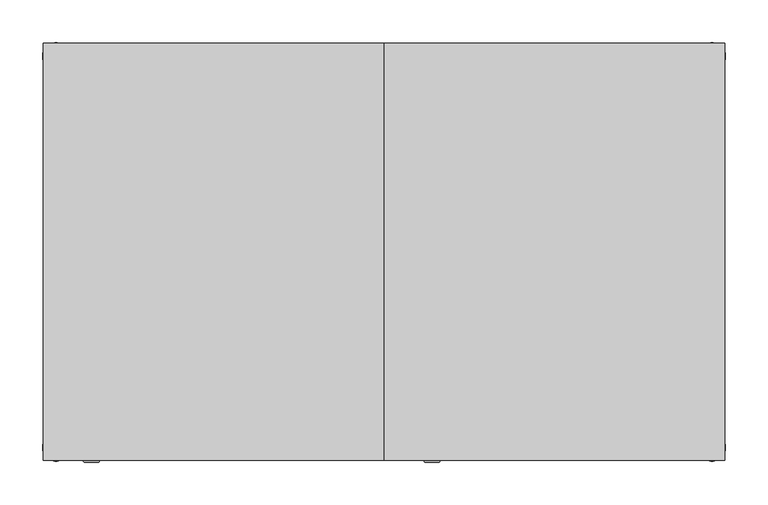
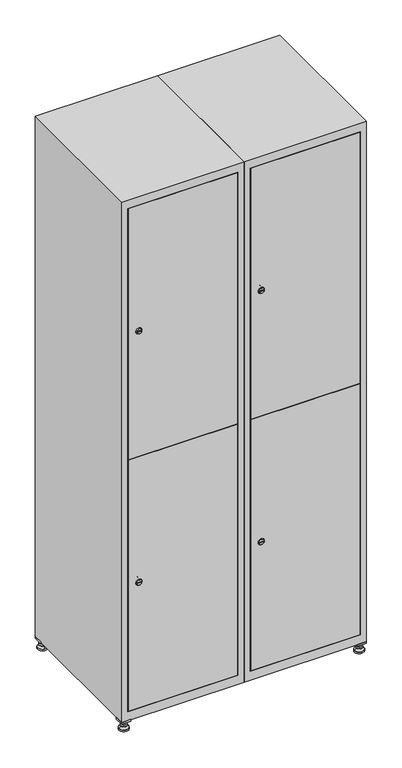
"""IFC4 building model written with IfcOpenShell, lengths in millimetres: furniture geometry."""

from ifc_helpers import new_model, si_unit, point, frame, frame_2d, origin, origin_with_axes, place, context, project, spatial, polyline, circle_curve, trimmed, segment, composite_curve, outline, extrude, faceted_brep, source, transform, mapped, element, save
from ifc_brep_helpers import plane_surface, revolved_surface, advanced_brep


def furniture_e68caaad(model_context):
    return source(origin(), model_context, "Body", "SolidModel", [
        extrude(outline(polyline([(600.0, 245.0), (600.0, 215.0), (570.0, 215.0), (570.0, 245.0), (600.0, 245.0)]), holes=[polyline([(598.0, 243.0), (572.0, 243.0), (572.0, 217.0), (598.0, 217.0), (598.0, 243.0)])]), frame((0.0, 0.0, 28.5), z_axis=(0.0, 0.0, 1.0), x_axis=(1.0, 0.0, 0.0)), (0.0, 0.0, 1.0), 6.5),
        extrude(outline(polyline([(570.0, -245.0), (570.0, -215.0), (600.0, -215.0), (600.0, -245.0), (570.0, -245.0)]), holes=[polyline([(572.0, -243.0), (598.0, -243.0), (598.0, -217.0), (572.0, -217.0), (572.0, -243.0)])]), frame((0.0, 0.0, 28.5), z_axis=(0.0, 0.0, 1.0), x_axis=(1.0, 0.0, 0.0)), (0.0, 0.0, 1.0), 6.5),
        extrude(outline(polyline([(-170.0, 245.0), (-170.0, 215.0), (-200.0, 215.0), (-200.0, 245.0), (-170.0, 245.0)]), holes=[polyline([(-172.0, 243.0), (-198.0, 243.0), (-198.0, 217.0), (-172.0, 217.0), (-172.0, 243.0)])]), frame((0.0, 0.0, 28.5), z_axis=(0.0, 0.0, 1.0), x_axis=(1.0, 0.0, 0.0)), (0.0, 0.0, 1.0), 6.5),
        extrude(outline(polyline([(-170.0, -215.0), (-170.0, -245.0), (-200.0, -245.0), (-200.0, -215.0), (-170.0, -215.0)]), holes=[polyline([(-198.0, -243.0), (-172.0, -243.0), (-172.0, -217.0), (-198.0, -217.0), (-198.0, -243.0)])]), frame((0.0, 0.0, 28.5), z_axis=(0.0, 0.0, 1.0), x_axis=(1.0, 0.0, 0.0)), (0.0, 0.0, 1.0), 6.5),
        extrude(outline(composite_curve([segment(trimmed(circle_curve(frame_2d((-185.0, 230.0)), 5.0), [point((-180.0, 230.0))], [point((-190.0, 230.0))], False, "CARTESIAN"), True, "CONTINUOUS"), segment(trimmed(circle_curve(frame_2d((-185.0, 230.0)), 5.0), [point((-190.0, 230.0))], [point((-180.0, 230.0))], False, "CARTESIAN"), True, "CONTINUOUS")], self_intersect=False)), frame((0.0, 0.0, 19.6), z_axis=(0.0, 0.0, 1.0), x_axis=(1.0, 0.0, 0.0)), (0.0, 0.0, 1.0), 15.4),
        extrude(outline(composite_curve([segment(trimmed(circle_curve(frame_2d((-185.0, -230.0)), 5.0), [point((-180.0, -230.0))], [point((-190.0, -230.0))], False, "CARTESIAN"), True, "CONTINUOUS"), segment(trimmed(circle_curve(frame_2d((-185.0, -230.0)), 5.0), [point((-190.0, -230.0))], [point((-180.0, -230.0))], False, "CARTESIAN"), True, "CONTINUOUS")], self_intersect=False)), frame((0.0, 0.0, 19.6), z_axis=(0.0, 0.0, 1.0), x_axis=(1.0, 0.0, 0.0)), (0.0, 0.0, 1.0), 15.4),
        extrude(outline(composite_curve([segment(trimmed(circle_curve(frame_2d((585.0, 230.0)), 5.0), [point((590.0, 230.0))], [point((580.0, 230.0))], False, "CARTESIAN"), True, "CONTINUOUS"), segment(trimmed(circle_curve(frame_2d((585.0, 230.0)), 5.0), [point((580.0, 230.0))], [point((590.0, 230.0))], False, "CARTESIAN"), True, "CONTINUOUS")], self_intersect=False)), frame((0.0, 0.0, 19.6), z_axis=(0.0, 0.0, 1.0), x_axis=(1.0, 0.0, 0.0)), (0.0, 0.0, 1.0), 15.4),
        extrude(outline(polyline([(573.4529946, 230.0), (579.2264973, 240.0), (590.7735027, 240.0), (596.5470054, 230.0), (590.7735027, 220.0), (579.2264973, 220.0), (573.4529946, 230.0)])), frame((0.0, 0.0, 13.6), z_axis=(0.0, 0.0, 1.0), x_axis=(1.0, 0.0, 0.0)), (0.0, 0.0, 1.0), 6.0),
        extrude(outline(composite_curve([segment(trimmed(circle_curve(frame_2d((585.0, -230.0)), 5.0), [point((590.0, -230.0))], [point((580.0, -230.0))], False, "CARTESIAN"), True, "CONTINUOUS"), segment(trimmed(circle_curve(frame_2d((585.0, -230.0)), 5.0), [point((580.0, -230.0))], [point((590.0, -230.0))], False, "CARTESIAN"), True, "CONTINUOUS")], self_intersect=False)), frame((0.0, 0.0, 19.6), z_axis=(0.0, 0.0, 1.0), x_axis=(1.0, 0.0, 0.0)), (0.0, 0.0, 1.0), 15.4),
        extrude(outline(polyline([(573.4529946, -230.0), (579.2264973, -220.0), (590.7735027, -220.0), (596.5470054, -230.0), (590.7735027, -240.0), (579.2264973, -240.0), (573.4529946, -230.0)])), frame((0.0, 0.0, 13.6), z_axis=(0.0, 0.0, 1.0), x_axis=(1.0, 0.0, 0.0)), (0.0, 0.0, 1.0), 6.0),
        extrude(outline(composite_curve([segment(trimmed(circle_curve(frame_2d((585.0, 230.0)), 5.0), [point((590.0, 230.0))], [point((580.0, 230.0))], False, "CARTESIAN"), True, "CONTINUOUS"), segment(trimmed(circle_curve(frame_2d((585.0, 230.0)), 5.0), [point((580.0, 230.0))], [point((590.0, 230.0))], False, "CARTESIAN"), True, "CONTINUOUS")], self_intersect=False)), frame((0.0, 0.0, 12.1), z_axis=(0.0, 0.0, 1.0), x_axis=(1.0, 0.0, 0.0)), (0.0, 0.0, 1.0), 1.5),
        extrude(outline(composite_curve([segment(trimmed(circle_curve(frame_2d((585.0, -230.0)), 5.0), [point((590.0, -230.0))], [point((580.0, -230.0))], False, "CARTESIAN"), True, "CONTINUOUS"), segment(trimmed(circle_curve(frame_2d((585.0, -230.0)), 5.0), [point((580.0, -230.0))], [point((590.0, -230.0))], False, "CARTESIAN"), True, "CONTINUOUS")], self_intersect=False)), frame((0.0, 0.0, 12.1), z_axis=(0.0, 0.0, 1.0), x_axis=(1.0, 0.0, 0.0)), (0.0, 0.0, 1.0), 1.5),
        extrude(outline(polyline([(-196.5470054, 230.0), (-190.7735027, 240.0), (-179.2264973, 240.0), (-173.4529946, 230.0), (-179.2264973, 220.0), (-190.7735027, 220.0), (-196.5470054, 230.0)])), frame((0.0, 0.0, 13.6), z_axis=(0.0, 0.0, 1.0), x_axis=(1.0, 0.0, 0.0)), (0.0, 0.0, 1.0), 6.0),
        extrude(outline(polyline([(-196.5470054, -230.0), (-190.7735027, -220.0), (-179.2264973, -220.0), (-173.4529946, -230.0), (-179.2264973, -240.0), (-190.7735027, -240.0), (-196.5470054, -230.0)])), frame((0.0, 0.0, 13.6), z_axis=(0.0, 0.0, 1.0), x_axis=(1.0, 0.0, 0.0)), (0.0, 0.0, 1.0), 6.0),
        extrude(outline(composite_curve([segment(trimmed(circle_curve(frame_2d((-185.0, 230.0)), 5.0), [point((-185.0, 235.0))], [point((-185.0, 225.0))], False, "CARTESIAN"), True, "CONTINUOUS"), segment(trimmed(circle_curve(frame_2d((-185.0, 230.0)), 5.0), [point((-185.0, 225.0))], [point((-185.0, 235.0))], False, "CARTESIAN"), True, "CONTINUOUS")], self_intersect=False)), frame((0.0, 0.0, 12.1), z_axis=(0.0, 0.0, 1.0), x_axis=(1.0, 0.0, 0.0)), (0.0, 0.0, 1.0), 1.5),
        extrude(outline(composite_curve([segment(trimmed(circle_curve(frame_2d((-185.0, -230.0)), 5.0), [point((-180.0, -230.0))], [point((-190.0, -230.0))], False, "CARTESIAN"), True, "CONTINUOUS"), segment(trimmed(circle_curve(frame_2d((-185.0, -230.0)), 5.0), [point((-190.0, -230.0))], [point((-180.0, -230.0))], False, "CARTESIAN"), True, "CONTINUOUS")], self_intersect=False)), frame((0.0, 0.0, 12.1), z_axis=(0.0, 0.0, 1.0), x_axis=(1.0, 0.0, 0.0)), (0.0, 0.0, 1.0), 1.5),
        extrude(outline(composite_curve([segment(trimmed(circle_curve(frame_2d((585.0, 230.0)), 15.75), [point((600.75, 230.0))], [point((569.25, 230.0))], False, "CARTESIAN"), True, "CONTINUOUS"), segment(trimmed(circle_curve(frame_2d((585.0, 230.0)), 15.75), [point((569.25, 230.0))], [point((600.75, 230.0))], False, "CARTESIAN"), True, "CONTINUOUS")], self_intersect=False)), origin_with_axes(), (0.0, 0.0, 1.0), 5.1),
        extrude(outline(composite_curve([segment(trimmed(circle_curve(frame_2d((585.0, -230.0)), 15.75), [point((585.0, -214.25))], [point((585.0, -245.75))], False, "CARTESIAN"), True, "CONTINUOUS"), segment(trimmed(circle_curve(frame_2d((585.0, -230.0)), 15.75), [point((585.0, -245.75))], [point((585.0, -214.25))], False, "CARTESIAN"), True, "CONTINUOUS")], self_intersect=False)), origin_with_axes(), (0.0, 0.0, 1.0), 5.1),
        extrude(outline(composite_curve([segment(trimmed(circle_curve(frame_2d((-185.0, -230.0)), 15.75), [point((-169.25, -230.0))], [point((-200.75, -230.0))], False, "CARTESIAN"), True, "CONTINUOUS"), segment(trimmed(circle_curve(frame_2d((-185.0, -230.0)), 15.75), [point((-200.75, -230.0))], [point((-169.25, -230.0))], False, "CARTESIAN"), True, "CONTINUOUS")], self_intersect=False)), origin_with_axes(), (0.0, 0.0, 1.0), 5.1),
        extrude(outline(composite_curve([segment(trimmed(circle_curve(frame_2d((-185.0, 230.0)), 15.75), [point((-169.25, 230.0))], [point((-200.75, 230.0))], False, "CARTESIAN"), True, "CONTINUOUS"), segment(trimmed(circle_curve(frame_2d((-185.0, 230.0)), 15.75), [point((-200.75, 230.0))], [point((-169.25, 230.0))], False, "CARTESIAN"), True, "CONTINUOUS")], self_intersect=False)), origin_with_axes(), (0.0, 0.0, 1.0), 5.1),
        advanced_brep(
        [(-185.0, 245.75, 5.1), (-185.0, 214.25, 5.1), (-185.0, 239.5, 12.1), (-185.0, 220.5, 12.1)],
        [
            (0, 1, circle_curve(frame((-185.0, 230.0, 5.1), z_axis=(0.0, 0.0, -1.0), x_axis=(0.0, 1.0, 0.0)), 15.75)),
            (1, 0, circle_curve(frame((-185.0, 230.0, 5.1), z_axis=(0.0, 0.0, -1.0), x_axis=(0.0, -1.0, 0.0)), 15.75)),
            (2, 3, circle_curve(frame((-185.0, 230.0, 12.1), z_axis=(0.0, 0.0, 1.0), x_axis=(0.0, -1.0, 0.0)), 9.5)),
            (3, 2, circle_curve(frame((-185.0, 230.0, 12.1), z_axis=(0.0, 0.0, 1.0), x_axis=(0.0, 1.0, 0.0)), 9.5)),
            (3, 1),
            (0, 2),
        ],
        [
            plane_surface(frame((-185.0, 230.0, 5.1), z_axis=(0.0, 0.0, -1.0), x_axis=(1.0, 0.0, 0.0))),
            plane_surface(frame((-185.0, 230.0, 12.1), z_axis=(0.0, 0.0, 1.0), x_axis=(1.0, 0.0, 0.0))),
            revolved_surface(polyline([(-185.0, 220.5, 12.099999999999998), (-185.0, 214.25, 5.099999999999998)]), (-185.0, 230.0, 22.74), (0.0, 0.0, -1.0)),
            revolved_surface(polyline([(-185.0, 239.5, 12.099999999999998), (-185.0, 245.75, 5.099999999999998)]), (-185.0, 230.0, 22.74), (0.0, 0.0, -1.0)),
        ],
        [
            (0, [[1, 2]]),
            (1, [[3, 4]]),
            (2, [[-4, 5, -1, 6]]),
            (3, [[-3, -6, -2, -5]]),
        ],
    ),
        advanced_brep(
        [(585.0, 245.75, 5.1), (585.0, 214.25, 5.1), (585.0, 239.5, 12.1), (585.0, 220.5, 12.1)],
        [
            (0, 1, circle_curve(frame((585.0, 230.0, 5.1), z_axis=(0.0, 0.0, -1.0), x_axis=(0.0, 1.0, 0.0)), 15.75)),
            (1, 0, circle_curve(frame((585.0, 230.0, 5.1), z_axis=(0.0, 0.0, -1.0), x_axis=(0.0, -1.0, 0.0)), 15.75)),
            (2, 3, circle_curve(frame((585.0, 230.0, 12.1), z_axis=(0.0, 0.0, 1.0), x_axis=(0.0, -1.0, 0.0)), 9.5)),
            (3, 2, circle_curve(frame((585.0, 230.0, 12.1), z_axis=(0.0, 0.0, 1.0), x_axis=(0.0, 1.0, 0.0)), 9.5)),
            (3, 1),
            (0, 2),
        ],
        [
            plane_surface(frame((585.0, 230.0, 5.1), z_axis=(0.0, 0.0, -1.0), x_axis=(1.0, 0.0, 0.0))),
            plane_surface(frame((585.0, 230.0, 12.1), z_axis=(0.0, 0.0, 1.0), x_axis=(1.0, 0.0, 0.0))),
            revolved_surface(polyline([(585.0, 220.5, 12.099999999999998), (585.0, 214.25, 5.099999999999998)]), (585.0, 230.0, 22.74), (0.0, 0.0, -1.0)),
            revolved_surface(polyline([(585.0, 239.5, 12.099999999999998), (585.0, 245.75, 5.099999999999998)]), (585.0, 230.0, 22.74), (0.0, 0.0, -1.0)),
        ],
        [
            (0, [[1, 2]]),
            (1, [[3, 4]]),
            (2, [[-4, 5, -1, 6]]),
            (3, [[-3, -6, -2, -5]]),
        ],
    ),
        advanced_brep(
        [(594.5, -230.0, 12.1), (575.5, -230.0, 12.1), (600.75, -230.0, 5.1), (569.25, -230.0, 5.1)],
        [
            (0, 1, circle_curve(frame((585.0, -230.0, 12.1), z_axis=(0.0, 0.0, 1.0), x_axis=(1.0, 0.0, 0.0)), 9.5)),
            (1, 0, circle_curve(frame((585.0, -230.0, 12.1), z_axis=(0.0, 0.0, 1.0), x_axis=(-1.0, 0.0, 0.0)), 9.5)),
            (2, 3, circle_curve(frame((585.0, -230.0, 5.1), z_axis=(0.0, 0.0, -1.0), x_axis=(-1.0, 0.0, 0.0)), 15.75)),
            (3, 2, circle_curve(frame((585.0, -230.0, 5.1), z_axis=(0.0, 0.0, -1.0), x_axis=(1.0, 0.0, 0.0)), 15.75)),
            (3, 1),
            (0, 2),
        ],
        [
            plane_surface(frame((585.0, -230.0, 12.1), z_axis=(0.0, 0.0, 1.0), x_axis=(0.0, 1.0, 0.0))),
            plane_surface(frame((585.0, -230.0, 5.1), z_axis=(0.0, 0.0, -1.0), x_axis=(0.0, 1.0, 0.0))),
            revolved_surface(polyline([(594.5, -230.0, 12.099999999999998), (600.75, -230.0, 5.099999999999998)]), (585.0, -230.0, 22.74), (0.0, 0.0, -1.0)),
            revolved_surface(polyline([(575.5, -230.0, 12.099999999999998), (569.25, -230.0, 5.099999999999998)]), (585.0, -230.0, 22.74), (0.0, 0.0, -1.0)),
        ],
        [
            (0, [[1, 2]]),
            (1, [[3, 4]]),
            (2, [[-4, 5, -1, 6]]),
            (3, [[-3, -6, -2, -5]]),
        ],
    ),
        advanced_brep(
        [(-175.5, -230.0, 12.1), (-194.5, -230.0, 12.1), (-169.25, -230.0, 5.1), (-200.75, -230.0, 5.1)],
        [
            (0, 1, circle_curve(frame((-185.0, -230.0, 12.1), z_axis=(0.0, 0.0, 1.0), x_axis=(1.0, 0.0, 0.0)), 9.5)),
            (1, 0, circle_curve(frame((-185.0, -230.0, 12.1), z_axis=(0.0, 0.0, 1.0), x_axis=(-1.0, 0.0, 0.0)), 9.5)),
            (2, 3, circle_curve(frame((-185.0, -230.0, 5.1), z_axis=(0.0, 0.0, -1.0), x_axis=(-1.0, 0.0, 0.0)), 15.75)),
            (3, 2, circle_curve(frame((-185.0, -230.0, 5.1), z_axis=(0.0, 0.0, -1.0), x_axis=(1.0, 0.0, 0.0)), 15.75)),
            (3, 1),
            (0, 2),
        ],
        [
            plane_surface(frame((-185.0, -230.0, 12.1), z_axis=(0.0, 0.0, 1.0), x_axis=(0.0, 1.0, 0.0))),
            plane_surface(frame((-185.0, -230.0, 5.1), z_axis=(0.0, 0.0, -1.0), x_axis=(0.0, 1.0, 0.0))),
            revolved_surface(polyline([(-175.5, -230.0, 12.099999999999998), (-169.25, -230.0, 5.099999999999998)]), (-185.0, -230.0, 22.74), (0.0, 0.0, -1.0)),
            revolved_surface(polyline([(-194.5, -230.0, 12.099999999999998), (-200.75, -230.0, 5.099999999999998)]), (-185.0, -230.0, 22.74), (0.0, 0.0, -1.0)),
        ],
        [
            (0, [[1, 2]]),
            (1, [[3, 4]]),
            (2, [[-4, 5, -1, 6]]),
            (3, [[-3, -6, -2, -5]]),
        ],
    ),
        extrude(outline(composite_curve([segment(trimmed(circle_curve(frame_2d((500.6, 229.6010534)), 7.0), [point((507.6, 229.6010534))], [point((493.6, 229.6010534))], False, "CARTESIAN"), True, "CONTINUOUS"), segment(polyline([(493.6, 229.6010534), (493.6, 257.6010534)]), True, "CONTINUOUS"), segment(trimmed(circle_curve(frame_2d((500.6, 257.6010534)), 7.0), [point((493.6, 257.6010534))], [point((507.6, 257.6010534))], False, "CARTESIAN"), True, "CONTINUOUS"), segment(polyline([(507.6, 257.6010534), (507.6, 229.6010534)]), True, "CONTINUOUS")], self_intersect=False)), frame((0.0, -227.0, 0.0), z_axis=(0.0, 1.0, 0.0), x_axis=(0.0, 0.0, 1.0)), (0.0, 0.0, 1.0), 2.0),
        advanced_brep(
        [(264.9, -247.2, 500.6), (247.9, -247.2, 500.6), (251.4, -247.2, 499.35), (251.4, -247.2, 501.85), (261.4, -247.2, 501.85), (261.4, -247.2, 499.35), (266.9, -245.0, 500.6), (245.9, -245.0, 500.6), (251.4, -245.0, 501.85), (251.4, -245.0, 499.35), (261.4, -245.0, 499.35), (261.4, -245.0, 501.85)],
        [
            (0, 1, circle_curve(frame((256.4, -247.2, 500.6), z_axis=(0.0, -1.0, 0.0), x_axis=(1.0, 0.0, 0.0)), 8.5)),
            (1, 0, circle_curve(frame((256.4, -247.2, 500.6), z_axis=(0.0, -1.0, 0.0), x_axis=(-1.0, 0.0, 0.0)), 8.5)),
            (2, 3),
            (3, 4),
            (4, 5),
            (5, 2),
            (6, 7, circle_curve(frame((256.4, -245.0, 500.6), z_axis=(0.0, 1.0, 0.0), x_axis=(-1.0, 0.0, 0.0)), 10.5)),
            (7, 6, circle_curve(frame((256.4, -245.0, 500.6), z_axis=(0.0, 1.0, 0.0), x_axis=(1.0, 0.0, 0.0)), 10.5)),
            (8, 9),
            (9, 10),
            (10, 11),
            (11, 8),
            (0, 6),
            (7, 1),
            (8, 3),
            (2, 9),
            (11, 4),
            (10, 5),
        ],
        [
            plane_surface(frame((256.4, -247.2, 500.6), z_axis=(0.0, -1.0, 0.0), x_axis=(0.0, 0.0, 1.0))),
            plane_surface(frame((256.4, -245.0, 500.6), z_axis=(0.0, 1.0, 0.0), x_axis=(0.0, 0.0, 1.0))),
            revolved_surface(polyline([(264.9, -247.2, 500.6), (266.9, -245.0, 500.6)]), (256.4, -256.55, 500.6), (0.0, 1.0, 0.0)),
            revolved_surface(polyline([(247.89999999999998, -247.2, 500.6), (245.9, -245.0, 500.6)]), (256.4, -256.55, 500.6), (0.0, 1.0, 0.0)),
            plane_surface(frame((251.4, -245.0, 499.35), z_axis=(1.0, 0.0, 0.0), x_axis=(0.0, -1.0, 0.0))),
            plane_surface(frame((251.4, -245.0, 501.85), z_axis=(0.0, 0.0, -1.0), x_axis=(0.0, -1.0, 0.0))),
            plane_surface(frame((261.4, -245.0, 501.85), z_axis=(-1.0, 0.0, 0.0), x_axis=(0.0, -1.0, 0.0))),
            plane_surface(frame((261.4, -245.0, 499.35), z_axis=(0.0, 0.0, 1.0), x_axis=(0.0, -1.0, 0.0))),
        ],
        [
            (0, [[1, 2], [3, 4, 5, 6]]),
            (1, [[7, 8], [9, 10, 11, 12]]),
            (2, [[-1, 13, -8, 14]]),
            (3, [[-2, -14, -7, -13]]),
            (4, [[15, -3, 16, -9]]),
            (5, [[-15, -12, 17, -4]]),
            (6, [[-17, -11, 18, -5]]),
            (7, [[-16, -6, -18, -10]]),
        ],
    ),
        extrude(outline(composite_curve([segment(trimmed(circle_curve(frame_2d((1369.4, 229.6010534)), 7.0), [point((1376.4, 229.6010534))], [point((1362.4, 229.6010534))], False, "CARTESIAN"), True, "CONTINUOUS"), segment(polyline([(1362.4, 229.6010534), (1362.4, 257.6010534)]), True, "CONTINUOUS"), segment(trimmed(circle_curve(frame_2d((1369.4, 257.6010534)), 7.0), [point((1362.4, 257.6010534))], [point((1376.4, 257.6010534))], False, "CARTESIAN"), True, "CONTINUOUS"), segment(polyline([(1376.4, 257.6010534), (1376.4, 229.6010534)]), True, "CONTINUOUS")], self_intersect=False)), frame((0.0, -227.0, 0.0), z_axis=(0.0, 1.0, 0.0), x_axis=(0.0, 0.0, 1.0)), (0.0, 0.0, 1.0), 2.0),
        advanced_brep(
        [(264.9, -247.2, 1369.4), (247.9, -247.2, 1369.4), (251.4, -247.2, 1368.15), (251.4, -247.2, 1370.65), (261.4, -247.2, 1370.65), (261.4, -247.2, 1368.15), (266.9, -245.0, 1369.4), (245.9, -245.0, 1369.4), (251.4, -245.0, 1370.65), (251.4, -245.0, 1368.15), (261.4, -245.0, 1368.15), (261.4, -245.0, 1370.65)],
        [
            (0, 1, circle_curve(frame((256.4, -247.2, 1369.4), z_axis=(0.0, -1.0, 0.0), x_axis=(1.0, 0.0, 0.0)), 8.5)),
            (1, 0, circle_curve(frame((256.4, -247.2, 1369.4), z_axis=(0.0, -1.0, 0.0), x_axis=(-1.0, 0.0, 0.0)), 8.5)),
            (2, 3),
            (3, 4),
            (4, 5),
            (5, 2),
            (6, 7, circle_curve(frame((256.4, -245.0, 1369.4), z_axis=(0.0, 1.0, 0.0), x_axis=(-1.0, 0.0, 0.0)), 10.5)),
            (7, 6, circle_curve(frame((256.4, -245.0, 1369.4), z_axis=(0.0, 1.0, 0.0), x_axis=(1.0, 0.0, 0.0)), 10.5)),
            (8, 9),
            (9, 10),
            (10, 11),
            (11, 8),
            (0, 6),
            (7, 1),
            (8, 3),
            (2, 9),
            (11, 4),
            (10, 5),
        ],
        [
            plane_surface(frame((256.4, -247.2, 1369.4), z_axis=(0.0, -1.0, 0.0), x_axis=(0.0, 0.0, 1.0))),
            plane_surface(frame((256.4, -245.0, 1369.4), z_axis=(0.0, 1.0, 0.0), x_axis=(0.0, 0.0, 1.0))),
            revolved_surface(polyline([(264.9, -247.2, 1369.4), (266.9, -245.0, 1369.4)]), (256.4, -256.55, 1369.4), (0.0, 1.0, 0.0)),
            revolved_surface(polyline([(247.89999999999998, -247.2, 1369.4), (245.9, -245.0, 1369.4)]), (256.4, -256.55, 1369.4), (0.0, 1.0, 0.0)),
            plane_surface(frame((251.4, -245.0, 1368.15), z_axis=(1.0, 0.0, 0.0), x_axis=(0.0, -1.0, 0.0))),
            plane_surface(frame((251.4, -245.0, 1370.65), z_axis=(0.0, 0.0, -1.0), x_axis=(0.0, -1.0, 0.0))),
            plane_surface(frame((261.4, -245.0, 1370.65), z_axis=(-1.0, 0.0, 0.0), x_axis=(0.0, -1.0, 0.0))),
            plane_surface(frame((261.4, -245.0, 1368.15), z_axis=(0.0, 0.0, 1.0), x_axis=(0.0, -1.0, 0.0))),
        ],
        [
            (0, [[1, 2], [3, 4, 5, 6]]),
            (1, [[7, 8], [9, 10, 11, 12]]),
            (2, [[-1, 13, -8, 14]]),
            (3, [[-2, -14, -7, -13]]),
            (4, [[15, -3, 16, -9]]),
            (5, [[-15, -12, 17, -4]]),
            (6, [[-17, -11, 18, -5]]),
            (7, [[-16, -6, -18, -10]]),
        ],
    ),
        extrude(outline(polyline([(221.4, -245.0), (221.4, -227.0), (578.6, -227.0), (578.6, -245.0), (221.4, -245.0)])), frame((0.0, 0.0, 66.2), z_axis=(0.0, 0.0, 1.0), x_axis=(1.0, 0.0, 0.0)), (0.0, 0.0, 1.0), 868.3),
        extrude(outline(polyline([(578.6, -227.0), (578.6, -245.0), (221.4, -245.0), (221.4, -227.0), (578.6, -227.0)])), frame((0.0, 0.0, 935.5), z_axis=(0.0, 0.0, 1.0), x_axis=(1.0, 0.0, 0.0)), (0.0, 0.0, 1.0), 868.3),
        extrude(outline(polyline([(579.6, 242.0), (579.6, -227.0), (220.4, -227.0), (220.4, 242.0), (579.6, 242.0)])), frame((0.0, 0.0, 924.8), z_axis=(0.0, 0.0, 1.0), x_axis=(1.0, 0.0, 0.0)), (0.0, 0.0, 1.0), 20.4),
        faceted_brep([(600.0, -245.0, 35.0), (600.0, -245.0, 1835.0), (200.0, -245.0, 1835.0), (200.0, -245.0, 35.0), (579.6, -245.0, 1804.8), (579.6, -245.0, 65.2), (220.4, -245.0, 65.2), (220.4, -245.0, 1804.8), (600.0, 245.0, 35.0), (200.0, 245.0, 35.0), (600.0, 245.0, 1835.0), (200.0, 245.0, 1835.0), (579.6, 242.0, 1804.8), (579.6, 242.0, 65.2), (200.0, 245.0, 1804.8), (220.4, 242.0, 1804.8), (220.4, 242.0, 65.2)], [[[0, 1, 2, 3], [4, 5, 6, 7]], [[8, 0, 3, 9]], [[1, 0, 8, 10]], [[1, 10, 11, 2]], [[4, 12, 13, 5]], [[9, 3, 2, 11, 14]], [[10, 8, 9, 14, 11]], [[12, 15, 16, 13]], [[15, 7, 6, 16]], [[4, 7, 15, 12]], [[6, 5, 13, 16]]]),
        extrude(outline(composite_curve([segment(trimmed(circle_curve(frame_2d((500.6, -170.3989466)), 7.0), [point((507.6, -170.3989466))], [point((493.6, -170.3989466))], False, "CARTESIAN"), True, "CONTINUOUS"), segment(polyline([(493.6, -170.3989466), (493.6, -142.3989466)]), True, "CONTINUOUS"), segment(trimmed(circle_curve(frame_2d((500.6, -142.3989466)), 7.0), [point((493.6, -142.3989466))], [point((507.6, -142.3989466))], False, "CARTESIAN"), True, "CONTINUOUS"), segment(polyline([(507.6, -142.3989466), (507.6, -170.3989466)]), True, "CONTINUOUS")], self_intersect=False)), frame((0.0, -227.0, 0.0), z_axis=(0.0, 1.0, 0.0), x_axis=(0.0, 0.0, 1.0)), (0.0, 0.0, 1.0), 2.0),
        advanced_brep(
        [(-135.1, -247.2, 500.6), (-152.1, -247.2, 500.6), (-148.6, -247.2, 499.35), (-148.6, -247.2, 501.85), (-138.6, -247.2, 501.85), (-138.6, -247.2, 499.35), (-133.1, -245.0, 500.6), (-154.1, -245.0, 500.6), (-148.6, -245.0, 501.85), (-148.6, -245.0, 499.35), (-138.6, -245.0, 499.35), (-138.6, -245.0, 501.85)],
        [
            (0, 1, circle_curve(frame((-143.6, -247.2, 500.6), z_axis=(0.0, -1.0, 0.0), x_axis=(1.0, 0.0, 0.0)), 8.5)),
            (1, 0, circle_curve(frame((-143.6, -247.2, 500.6), z_axis=(0.0, -1.0, 0.0), x_axis=(-1.0, 0.0, 0.0)), 8.5)),
            (2, 3),
            (3, 4),
            (4, 5),
            (5, 2),
            (6, 7, circle_curve(frame((-143.6, -245.0, 500.6), z_axis=(0.0, 1.0, 0.0), x_axis=(-1.0, 0.0, 0.0)), 10.5)),
            (7, 6, circle_curve(frame((-143.6, -245.0, 500.6), z_axis=(0.0, 1.0, 0.0), x_axis=(1.0, 0.0, 0.0)), 10.5)),
            (8, 9),
            (9, 10),
            (10, 11),
            (11, 8),
            (0, 6),
            (7, 1),
            (8, 3),
            (2, 9),
            (11, 4),
            (10, 5),
        ],
        [
            plane_surface(frame((-143.6, -247.2, 500.6), z_axis=(0.0, -1.0, 0.0), x_axis=(0.0, 0.0, 1.0))),
            plane_surface(frame((-143.6, -245.0, 500.6), z_axis=(0.0, 1.0, 0.0), x_axis=(0.0, 0.0, 1.0))),
            revolved_surface(polyline([(-135.1, -247.2, 500.6), (-133.1, -245.0, 500.6)]), (-143.6, -256.55, 500.6), (0.0, 1.0, 0.0)),
            revolved_surface(polyline([(-152.1, -247.2, 500.6), (-154.1, -245.0, 500.6)]), (-143.6, -256.55, 500.6), (0.0, 1.0, 0.0)),
            plane_surface(frame((-148.6, -245.0, 499.35), z_axis=(1.0, 0.0, 0.0), x_axis=(0.0, -1.0, 0.0))),
            plane_surface(frame((-148.6, -245.0, 501.85), z_axis=(0.0, 0.0, -1.0), x_axis=(0.0, -1.0, 0.0))),
            plane_surface(frame((-138.6, -245.0, 501.85), z_axis=(-1.0, 0.0, 0.0), x_axis=(0.0, -1.0, 0.0))),
            plane_surface(frame((-138.6, -245.0, 499.35), z_axis=(0.0, 0.0, 1.0), x_axis=(0.0, -1.0, 0.0))),
        ],
        [
            (0, [[1, 2], [3, 4, 5, 6]]),
            (1, [[7, 8], [9, 10, 11, 12]]),
            (2, [[-1, 13, -8, 14]]),
            (3, [[-2, -14, -7, -13]]),
            (4, [[15, -3, 16, -9]]),
            (5, [[-15, -12, 17, -4]]),
            (6, [[-17, -11, 18, -5]]),
            (7, [[-16, -6, -18, -10]]),
        ],
    ),
        extrude(outline(composite_curve([segment(trimmed(circle_curve(frame_2d((1369.4, -170.3989466)), 7.0), [point((1376.4, -170.3989466))], [point((1362.4, -170.3989466))], False, "CARTESIAN"), True, "CONTINUOUS"), segment(polyline([(1362.4, -170.3989466), (1362.4, -142.3989466)]), True, "CONTINUOUS"), segment(trimmed(circle_curve(frame_2d((1369.4, -142.3989466)), 7.0), [point((1362.4, -142.3989466))], [point((1376.4, -142.3989466))], False, "CARTESIAN"), True, "CONTINUOUS"), segment(polyline([(1376.4, -142.3989466), (1376.4, -170.3989466)]), True, "CONTINUOUS")], self_intersect=False)), frame((0.0, -227.0, 0.0), z_axis=(0.0, 1.0, 0.0), x_axis=(0.0, 0.0, 1.0)), (0.0, 0.0, 1.0), 2.0),
        advanced_brep(
        [(-135.1, -247.2, 1369.4), (-152.1, -247.2, 1369.4), (-148.6, -247.2, 1368.15), (-148.6, -247.2, 1370.65), (-138.6, -247.2, 1370.65), (-138.6, -247.2, 1368.15), (-133.1, -245.0, 1369.4), (-154.1, -245.0, 1369.4), (-148.6, -245.0, 1370.65), (-148.6, -245.0, 1368.15), (-138.6, -245.0, 1368.15), (-138.6, -245.0, 1370.65)],
        [
            (0, 1, circle_curve(frame((-143.6, -247.2, 1369.4), z_axis=(0.0, -1.0, 0.0), x_axis=(1.0, 0.0, 0.0)), 8.5)),
            (1, 0, circle_curve(frame((-143.6, -247.2, 1369.4), z_axis=(0.0, -1.0, 0.0), x_axis=(-1.0, 0.0, 0.0)), 8.5)),
            (2, 3),
            (3, 4),
            (4, 5),
            (5, 2),
            (6, 7, circle_curve(frame((-143.6, -245.0, 1369.4), z_axis=(0.0, 1.0, 0.0), x_axis=(-1.0, 0.0, 0.0)), 10.5)),
            (7, 6, circle_curve(frame((-143.6, -245.0, 1369.4), z_axis=(0.0, 1.0, 0.0), x_axis=(1.0, 0.0, 0.0)), 10.5)),
            (8, 9),
            (9, 10),
            (10, 11),
            (11, 8),
            (0, 6),
            (7, 1),
            (8, 3),
            (2, 9),
            (11, 4),
            (10, 5),
        ],
        [
            plane_surface(frame((-143.6, -247.2, 1369.4), z_axis=(0.0, -1.0, 0.0), x_axis=(0.0, 0.0, 1.0))),
            plane_surface(frame((-143.6, -245.0, 1369.4), z_axis=(0.0, 1.0, 0.0), x_axis=(0.0, 0.0, 1.0))),
            revolved_surface(polyline([(-135.1, -247.2, 1369.4), (-133.1, -245.0, 1369.4)]), (-143.6, -256.55, 1369.4), (0.0, 1.0, 0.0)),
            revolved_surface(polyline([(-152.1, -247.2, 1369.4), (-154.1, -245.0, 1369.4)]), (-143.6, -256.55, 1369.4), (0.0, 1.0, 0.0)),
            plane_surface(frame((-148.6, -245.0, 1368.15), z_axis=(1.0, 0.0, 0.0), x_axis=(0.0, -1.0, 0.0))),
            plane_surface(frame((-148.6, -245.0, 1370.65), z_axis=(0.0, 0.0, -1.0), x_axis=(0.0, -1.0, 0.0))),
            plane_surface(frame((-138.6, -245.0, 1370.65), z_axis=(-1.0, 0.0, 0.0), x_axis=(0.0, -1.0, 0.0))),
            plane_surface(frame((-138.6, -245.0, 1368.15), z_axis=(0.0, 0.0, 1.0), x_axis=(0.0, -1.0, 0.0))),
        ],
        [
            (0, [[1, 2], [3, 4, 5, 6]]),
            (1, [[7, 8], [9, 10, 11, 12]]),
            (2, [[-1, 13, -8, 14]]),
            (3, [[-2, -14, -7, -13]]),
            (4, [[15, -3, 16, -9]]),
            (5, [[-15, -12, 17, -4]]),
            (6, [[-17, -11, 18, -5]]),
            (7, [[-16, -6, -18, -10]]),
        ],
    ),
        extrude(outline(polyline([(-178.6, -245.0), (-178.6, -227.0), (178.6, -227.0), (178.6, -245.0), (-178.6, -245.0)])), frame((0.0, 0.0, 66.2), z_axis=(0.0, 0.0, 1.0), x_axis=(1.0, 0.0, 0.0)), (0.0, 0.0, 1.0), 868.3),
        extrude(outline(polyline([(178.6, -227.0), (178.6, -245.0), (-178.6, -245.0), (-178.6, -227.0), (178.6, -227.0)])), frame((0.0, 0.0, 935.5), z_axis=(0.0, 0.0, 1.0), x_axis=(1.0, 0.0, 0.0)), (0.0, 0.0, 1.0), 868.3),
        extrude(outline(polyline([(179.6, 242.0), (179.6, -227.0), (-179.6, -227.0), (-179.6, 242.0), (179.6, 242.0)])), frame((0.0, 0.0, 924.8), z_axis=(0.0, 0.0, 1.0), x_axis=(1.0, 0.0, 0.0)), (0.0, 0.0, 1.0), 20.4),
        faceted_brep([(200.0, -245.0, 35.0), (200.0, -245.0, 1835.0), (-200.0, -245.0, 1835.0), (-200.0, -245.0, 35.0), (179.6, -245.0, 1804.8), (179.6, -245.0, 65.2), (-179.6, -245.0, 65.2), (-179.6, -245.0, 1804.8), (200.0, 245.0, 35.0), (-200.0, 245.0, 35.0), (200.0, 245.0, 1835.0), (-200.0, 245.0, 1835.0), (179.6, 242.0, 1804.8), (179.6, 242.0, 65.2), (-200.0, 245.0, 1804.8), (-179.6, 242.0, 1804.8), (-179.6, 242.0, 65.2)], [[[0, 1, 2, 3], [4, 5, 6, 7]], [[8, 0, 3, 9]], [[1, 0, 8, 10]], [[1, 10, 11, 2]], [[4, 12, 13, 5]], [[9, 3, 2, 11, 14]], [[10, 8, 9, 14, 11]], [[12, 15, 16, 13]], [[15, 7, 6, 16]], [[4, 7, 15, 12]], [[6, 5, 13, 16]]]),
    ])


if __name__ == "__main__":
    model = new_model("IFC4")
    model_context = context("Model", 3, world=origin())
    ifc_project = project(units=[si_unit("LENGTHUNIT", "METRE", prefix="MILLI")], contexts=[model_context])
    site = spatial("IfcSite", under=ifc_project)
    building = spatial("IfcBuilding", under=site)
    placement = place(None, origin())
    furniture_shape = furniture_e68caaad(model_context)
    element("IfcFurniture", 1, at=placement, inside=building, context=model_context, shape_type="MappedRepresentation", body=[
        mapped(furniture_shape, transform((0.0, 0.0, 0.0), x_axis=(1.0, 0.0, 0.0), y_axis=(0.0, 1.0, 0.0), z_axis=(0.0, 0.0, 1.0))),
    ])
    save(model, "model.ifc")
